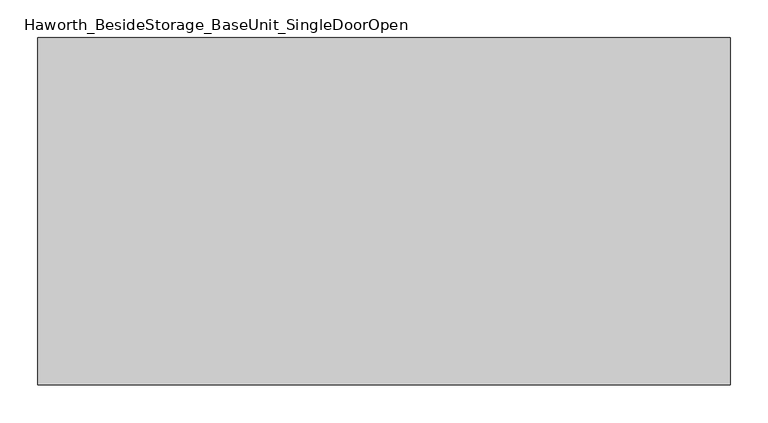
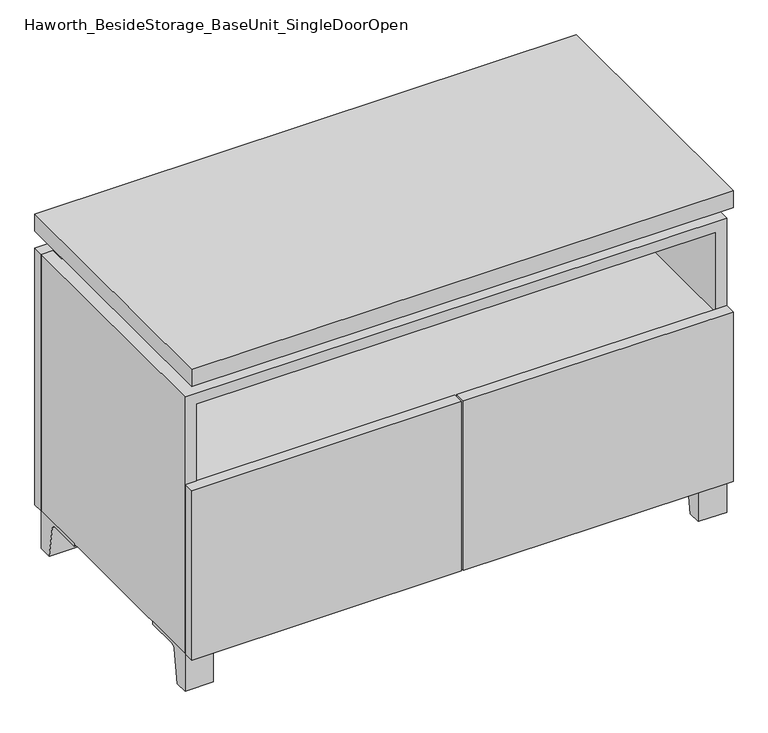
"""IFC4 building model written with IfcOpenShell, lengths in millimetres: furniture geometry, Haworth_BesideStorage_BaseUnit_SingleDoorOpen."""

from ifc_helpers import new_model, si_unit, point, frame, frame_2d, origin, place, context, project, spatial, polyline, circle_curve, trimmed, segment, composite_curve, outline, extrude, faceted_brep, source, transform, mapped, element, save


def haworth_besidestorage_baseunit_singledooropen_bae493e8(model_context):
    return source(origin(), model_context, "Body", "SolidModel", [
        extrude(outline(composite_curve([segment(polyline([(-123.2958469, 0.0), (-146.05, 0.0), (-146.05, 66.675), (-50.8, 66.675), (-50.8, 61.8963321), (-107.6005345, 61.8963321)]), True, "CONTINUOUS"), segment(trimmed(circle_curve(frame_2d((-107.6005345, 55.5463321)), 6.35), [point((-107.6005345, 61.8963321))], [point((-113.8641359, 56.5902656))], True, "CARTESIAN"), True, "CONTINUOUS"), segment(polyline([(-113.8641359, 56.5902656), (-123.2958469, 0.0)]), True, "CONTINUOUS")], self_intersect=False)), frame((408.0013906, 0.0, 0.0), z_axis=(1.0, 0.0, 0.0), x_axis=(0.0, 1.0, 0.0)), (0.0, 0.0, 1.0), 47.625),
        extrude(outline(composite_curve([segment(polyline([(250.2958469, 0.0), (240.8641359, 56.5902656)]), True, "CONTINUOUS"), segment(trimmed(circle_curve(frame_2d((234.6005345, 55.5463321)), 6.35), [point((240.8641359, 56.5902656))], [point((234.6005345, 61.8963321))], True, "CARTESIAN"), True, "CONTINUOUS"), segment(polyline([(234.6005345, 61.8963321), (177.8, 61.8963321), (177.8, 66.675), (273.05, 66.675), (273.05, 0.0), (250.2958469, 0.0)]), True, "CONTINUOUS")], self_intersect=False)), frame((408.0013906, 0.0, 0.0), z_axis=(1.0, 0.0, 0.0), x_axis=(0.0, 1.0, 0.0)), (0.0, 0.0, 1.0), 47.625),
        extrude(outline(composite_curve([segment(polyline([(-123.2958469, 0.0), (-146.05, 0.0), (-146.05, 66.675), (-50.8, 66.675), (-50.8, 61.8963321), (-107.6005345, 61.8963321)]), True, "CONTINUOUS"), segment(trimmed(circle_curve(frame_2d((-107.6005345, 55.5463321)), 6.35), [point((-107.6005345, 61.8963321))], [point((-113.8641359, 56.5902656))], True, "CARTESIAN"), True, "CONTINUOUS"), segment(polyline([(-113.8641359, 56.5902656), (-123.2958469, 0.0)]), True, "CONTINUOUS")], self_intersect=False)), frame((-455.5986094, 0.0, 0.0), z_axis=(1.0, 0.0, 0.0), x_axis=(0.0, 1.0, 0.0)), (0.0, 0.0, 1.0), 47.625),
        extrude(outline(composite_curve([segment(polyline([(250.2958469, 0.0), (240.8641359, 56.5902656)]), True, "CONTINUOUS"), segment(trimmed(circle_curve(frame_2d((234.6005345, 55.5463321)), 6.35), [point((240.8641359, 56.5902656))], [point((234.6005345, 61.8963321))], True, "CARTESIAN"), True, "CONTINUOUS"), segment(polyline([(234.6005345, 61.8963321), (177.8, 61.8963321), (177.8, 66.675), (273.05, 66.675), (273.05, 0.0), (250.2958469, 0.0)]), True, "CONTINUOUS")], self_intersect=False)), frame((-455.5986094, 0.0, 0.0), z_axis=(1.0, 0.0, 0.0), x_axis=(0.0, 1.0, 0.0)), (0.0, 0.0, 1.0), 47.625),
        faceted_brep([(-455.5986094, -146.05, 66.675), (455.6125, -146.05, 66.675), (455.6125, -146.05, 523.875), (-455.5986094, -146.05, 523.875), (-436.5486094, -146.05, 85.725), (-436.5486094, -146.05, 504.825), (436.5694453, -146.05, 504.825), (436.5486094, -146.05, 85.725), (-455.5986094, 273.05, 66.675), (-455.5986094, 273.05, 523.875), (-436.5486094, 273.05, 523.875), (-436.5486094, 273.05, 85.725), (436.5486094, 273.05, 85.725), (436.5486094, 273.05, 523.875), (455.6125, 273.05, 523.875), (455.6125, 273.05, 66.675), (436.5486094, 247.65, 523.875), (-436.5416641, 247.65, 523.875), (-436.5486094, 247.65, 504.825), (436.5486094, 247.65, 504.825)], [[[0, 1, 2, 3], [4, 5, 6, 7]], [[8, 9, 10, 11, 12, 13, 14, 15]], [[1, 0, 8, 15]], [[2, 1, 15, 14]], [[3, 2, 14, 13, 16, 17, 10, 9]], [[0, 3, 9, 8]], [[11, 10, 17, 18, 5, 4]], [[13, 12, 7, 6, 19, 16]], [[4, 7, 12, 11]], [[6, 5, 18, 19]], [[17, 16, 19, 18]]]),
        extrude(outline(polyline([(455.6263906, -165.1), (-455.5986094, -165.1), (-455.5986094, 292.1), (455.6263906, 292.1), (455.6263906, -165.1)])), frame((0.0, 0.0, 554.0375), z_axis=(0.0, 0.0, 1.0), x_axis=(1.0, 0.0, 0.0)), (0.0, 0.0, 1.0), 30.1625),
        faceted_brep([(7.9513906, -69.85, 554.0375), (7.9513906, -69.85, 523.875), (7.9513906, 53.975, 523.875), (7.9513906, 53.975, 554.0375), (7.9513906, 196.85, 523.875), (7.9513906, 196.85, 554.0375), (7.9513906, 73.025, 554.0375), (7.9513906, 73.025, 523.875), (-7.9236094, 196.85, 554.0375), (-7.9236094, 196.85, 523.875), (-7.9236094, 73.025, 523.875), (-7.9236094, 73.025, 554.0375), (-7.9236094, -69.85, 523.875), (-7.9236094, -69.85, 554.0375), (-7.9236094, 53.975, 554.0375), (-7.9236094, 53.975, 523.875), (-414.2958281, 73.025, 554.0375), (-414.3166641, 247.65, 554.0375), (-430.1916641, 247.65, 554.0375), (-430.1916641, -120.65, 554.0375), (-414.3166641, -120.65, 554.0375), (-414.3166641, 53.975, 554.0375), (414.3236094, 53.975, 554.0375), (414.3236094, -120.65, 554.0375), (430.1986094, -120.65, 554.0375), (430.1986094, 247.65, 554.0375), (414.3236094, 247.65, 554.0375), (414.3236094, 73.025, 554.0375), (-414.2958281, 53.975, 523.875), (-414.3166641, -120.65, 523.875), (-430.1916641, -120.65, 523.875), (-430.1916641, 247.65, 523.875), (-414.3166641, 247.65, 523.875), (-414.3166641, 73.025, 523.875), (414.3236094, 73.025, 523.875), (414.3236094, 247.65, 523.875), (430.1986094, 247.65, 523.875), (430.1986094, -120.65, 523.875), (414.3236094, -120.65, 523.875), (414.3236094, 53.975, 523.875)], [[[0, 1, 2, 3]], [[4, 5, 6, 7]], [[8, 9, 10, 11]], [[12, 13, 14, 15]], [[5, 8, 11, 16, 17, 18, 19, 20, 21, 14, 13, 0, 3, 22, 23, 24, 25, 26, 27, 6]], [[1, 12, 15, 28, 29, 30, 31, 32, 33, 10, 9, 4, 7, 34, 35, 36, 37, 38, 39, 2]], [[5, 4, 9, 8]], [[1, 0, 13, 12]], [[6, 27, 34, 7]], [[22, 3, 2, 39]], [[20, 29, 28, 21]], [[32, 17, 16, 33]], [[18, 31, 30, 19]], [[29, 20, 19, 30]], [[17, 32, 31, 18]], [[26, 35, 34, 27]], [[38, 23, 22, 39]], [[25, 24, 37, 36]], [[23, 38, 37, 24]], [[35, 26, 25, 36]], [[16, 11, 10, 33]], [[14, 21, 28, 15]]]),
        extrude(outline(polyline([(455.6263906, 273.05), (-455.5986094, 273.05), (-455.5986094, 292.1), (455.6263906, 292.1), (455.6263906, 273.05)])), frame((0.0, 0.0, 66.675), z_axis=(0.0, 0.0, 1.0), x_axis=(1.0, 0.0, 0.0)), (0.0, 0.0, 1.0), 457.2),
        extrude(outline(polyline([(-436.5416641, 203.2), (-436.5416641, 209.55), (436.5694453, 209.55), (436.5694453, 203.2), (-436.5416641, 203.2)])), frame((0.0, 0.0, 85.725), z_axis=(0.0, 0.0, 1.0), x_axis=(1.0, 0.0, 0.0)), (0.0, 0.0, 1.0), 419.1),
        extrude(outline(polyline([(1.6013906, -165.1), (1.6013906, -146.05), (455.6263906, -146.05), (455.6263906, -165.1), (1.6013906, -165.1)])), frame((0.0, 0.0, 66.675), z_axis=(0.0, 0.0, 1.0), x_axis=(1.0, 0.0, 0.0)), (0.0, 0.0, 1.0), 301.625),
        extrude(outline(polyline([(-1.5736094, -165.1), (-455.5986094, -165.1), (-455.5986094, -146.05), (-1.5736094, -146.05), (-1.5736094, -165.1)])), frame((0.0, 0.0, 66.675), z_axis=(0.0, 0.0, 1.0), x_axis=(1.0, 0.0, 0.0)), (0.0, 0.0, 1.0), 301.625),
        extrude(outline(polyline([(436.5486094, 203.2), (436.5486094, -146.05), (-436.5486094, -146.05), (-436.5486094, 203.2), (436.5486094, 203.2)])), frame((0.0, 0.0, 344.4875), z_axis=(0.0, 0.0, 1.0), x_axis=(1.0, 0.0, 0.0)), (0.0, 0.0, 1.0), 19.05),
    ])


if __name__ == "__main__":
    model = new_model("IFC4")
    model_context = context("Model", 3, world=origin())
    ifc_project = project(units=[si_unit("LENGTHUNIT", "METRE", prefix="MILLI")], contexts=[model_context])
    site = spatial("IfcSite", under=ifc_project)
    building = spatial("IfcBuilding", under=site)
    placement = place(None, origin())
    haworth_besidestorage_baseunit_singledooropen_shape = haworth_besidestorage_baseunit_singledooropen_bae493e8(model_context)
    element("IfcFurniture", 1, ObjectType="Haworth_BesideStorage_BaseUnit_SingleDoorOpen", at=placement, inside=building, context=model_context, shape_type="MappedRepresentation", body=[
        mapped(haworth_besidestorage_baseunit_singledooropen_shape, transform((0.0, 0.0, 0.0), x_axis=(1.0, 0.0, 0.0), y_axis=(0.0, 1.0, 0.0), z_axis=(0.0, 0.0, 1.0))),
    ])
    save(model, "model.ifc")
